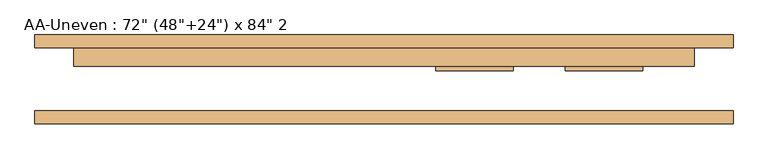
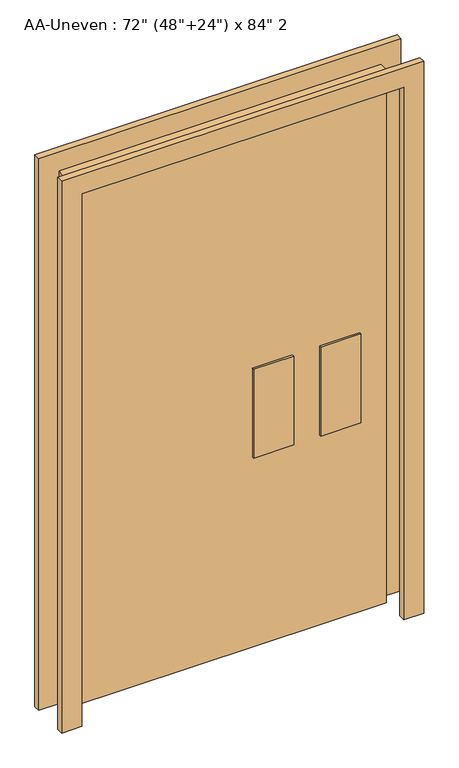
"""IFC4 building model written with IfcOpenShell, lengths in millimetres: door geometry."""

from ifc_helpers import new_model, si_unit, frame, origin, origin_with_axes, place, context, project, spatial, polyline, outline, extrude, source, transform, mapped, element, save


def door_758c7584(model_context):
    return source(origin(), model_context, "Body", "SweptSolid", [
        extrude(outline(polyline([(-508.0, 76.2), (-508.0, 25.4), (-1727.2, 25.4), (-1727.2, 76.2), (-508.0, 76.2)])), origin_with_axes(), (0.0, 0.0, 1.0), 2133.6),
        extrude(outline(polyline([(2133.6, -1727.2), (2133.6, -508.0), (0.0, -508.0), (0.0, -431.8), (2209.8, -431.8), (2209.8, -1803.4), (0.0, -1803.4), (0.0, -1727.2), (2133.6, -1727.2)])), frame((0.0, -87.3125, 0.0), z_axis=(0.0, 1.0, 0.0), x_axis=(0.0, 0.0, 1.0)), (0.0, 0.0, 1.0), 25.4),
        extrude(outline(polyline([(2133.6, -1727.2), (2133.6, -508.0), (0.0, -508.0), (0.0, -431.8), (2209.8, -431.8), (2209.8, -1803.4), (0.0, -1803.4), (0.0, -1727.2), (2133.6, -1727.2)])), frame((0.0, 61.9125, 0.0), z_axis=(0.0, 1.0, 0.0), x_axis=(0.0, 0.0, 1.0)), (0.0, 0.0, 1.0), 25.4),
        extrude(outline(polyline([(-863.6, 16.66875), (-1016.0, 16.66875), (-1016.0, 25.4), (-863.6, 25.4), (-863.6, 16.66875)])), frame((0.0, 0.0, 762.0), z_axis=(0.0, 0.0, 1.0), x_axis=(1.0, 0.0, 0.0)), (0.0, 0.0, 1.0), 355.6),
        extrude(outline(polyline([(-609.6, 16.66875), (-762.0, 16.66875), (-762.0, 25.4), (-609.6, 25.4), (-609.6, 16.66875)])), frame((0.0, 0.0, 762.0), z_axis=(0.0, 0.0, 1.0), x_axis=(1.0, 0.0, 0.0)), (0.0, 0.0, 1.0), 355.6),
        extrude(outline(polyline([(-1016.0, 84.8133985), (-863.6, 84.8133985), (-863.6, 76.2), (-1016.0, 76.2), (-1016.0, 84.8133985)])), frame((0.0, 0.0, 762.0), z_axis=(0.0, 0.0, 1.0), x_axis=(1.0, 0.0, 0.0)), (0.0, 0.0, 1.0), 355.6),
        extrude(outline(polyline([(-762.0, 84.8133985), (-609.6, 84.8133985), (-609.6, 76.2), (-762.0, 76.2), (-762.0, 84.8133985)])), frame((0.0, 0.0, 762.0), z_axis=(0.0, 0.0, 1.0), x_axis=(1.0, 0.0, 0.0)), (0.0, 0.0, 1.0), 355.6),
    ])


if __name__ == "__main__":
    model = new_model("IFC4")
    model_context = context("Model", 3, world=origin())
    ifc_project = project(units=[si_unit("LENGTHUNIT", "METRE", prefix="MILLI")], contexts=[model_context])
    site = spatial("IfcSite", under=ifc_project)
    building = spatial("IfcBuilding", under=site)
    placement = place(None, origin())
    door_shape = door_758c7584(model_context)
    element("IfcDoor", 1, ObjectType="AA-Uneven : 72\" (48\"+24\") x 84\" 2", at=placement, inside=building, context=model_context, shape_type="MappedRepresentation", body=[
        mapped(door_shape, transform((0.0, 0.0, 0.0), x_axis=(1.0, 0.0, 0.0), y_axis=(0.0, 1.0, 0.0), z_axis=(0.0, 0.0, 1.0))),
    ])
    save(model, "model.ifc")
